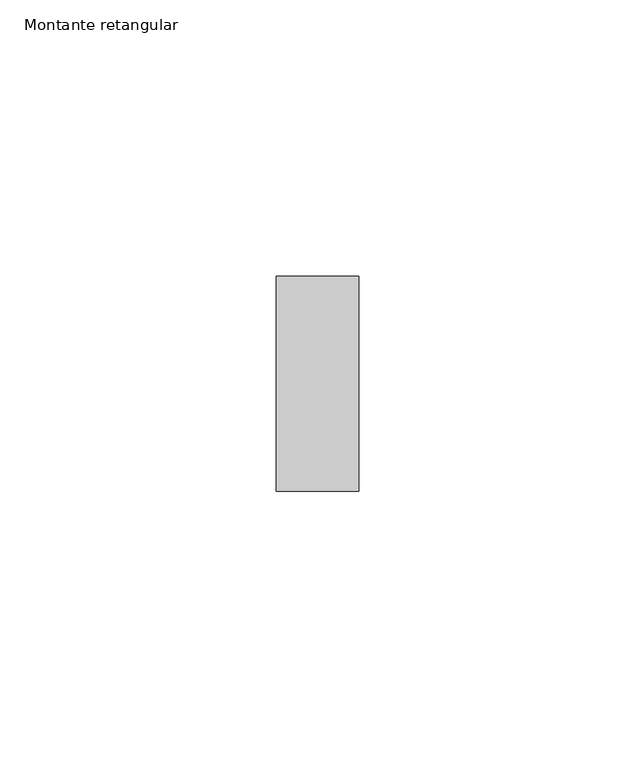
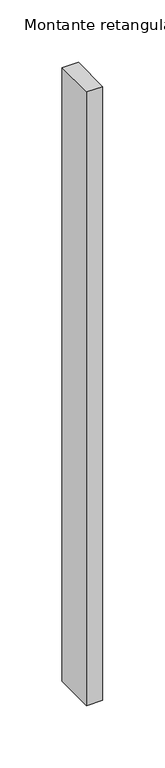
"""IFC4 building model written with IfcOpenShell, lengths in millimetres: member geometry, Montante retangular."""

from ifc_helpers import new_model, si_unit, frame, origin, place, context, project, spatial, polyline, outline, extrude, source, transform, mapped, element, save


def montante_retangular_11066a83(model_context):
    return source(origin(), model_context, "Body", "SweptSolid", [
        extrude(outline(polyline([(7.5, 0.0), (7.5, -39.0), (-7.5, -39.0), (-7.5, 0.0), (7.5, 0.0)])), frame((0.0, 0.0, -600.0), z_axis=(0.0, 0.0, 1.0), x_axis=(1.0, 0.0, 0.0)), (0.0, 0.0, 1.0), 600.0),
    ])


if __name__ == "__main__":
    model = new_model("IFC4")
    model_context = context("Model", 3, world=origin())
    ifc_project = project(units=[si_unit("LENGTHUNIT", "METRE", prefix="MILLI")], contexts=[model_context])
    site = spatial("IfcSite", under=ifc_project)
    building = spatial("IfcBuilding", under=site)
    placement = place(None, origin())
    montante_retangular_shape = montante_retangular_11066a83(model_context)
    element("IfcMember", 1, ObjectType="Montante retangular", at=placement, inside=building, context=model_context, shape_type="MappedRepresentation", body=[
        mapped(montante_retangular_shape, transform((0.0, 0.0, 0.0), x_axis=(1.0, 0.0, 0.0), y_axis=(0.0, 1.0, 0.0), z_axis=(0.0, 0.0, 1.0))),
    ])
    save(model, "model.ifc")
